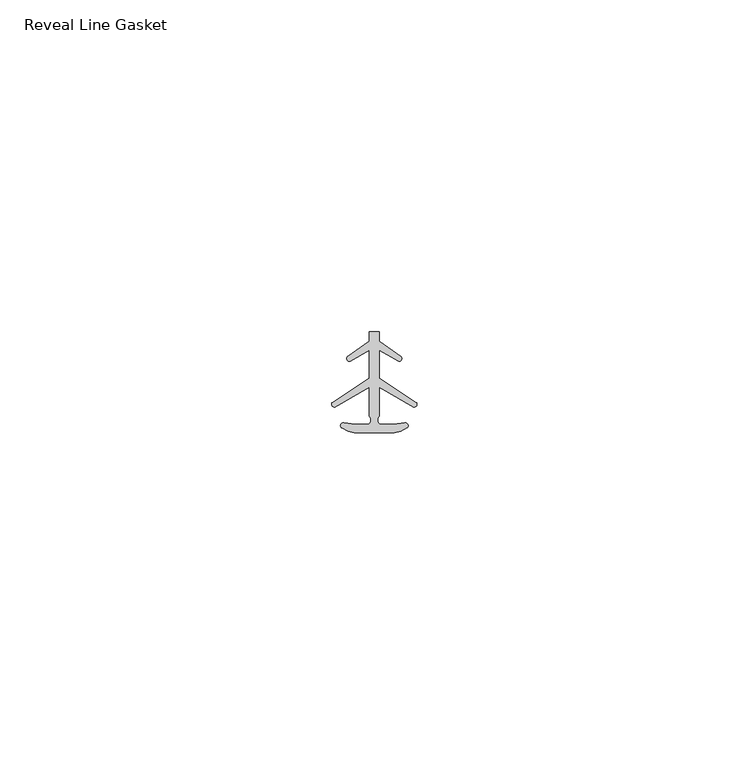
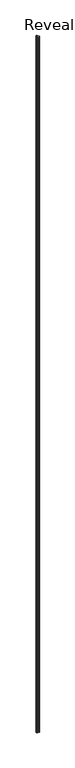
"""IFC4 building model written with IfcOpenShell, lengths in millimetres: proxy geometry, Reveal Line Gasket."""

from ifc_helpers import new_model, si_unit, point, frame, frame_2d, origin, place, context, project, spatial, polyline, circle_curve, trimmed, segment, composite_curve, outline, extrude, source, transform, mapped, element, save


def reveal_line_gasket_7544853e(model_context):
    return source(origin(), model_context, "Body", "SweptSolid", [
        extrude(outline(composite_curve([segment(polyline([(2.999107, -7.6326998), (-3.000893, -7.6326998), (-3.9563857, -7.4091917), (-4.8893614, -6.8813059)]), True, "CONTINUOUS"), segment(trimmed(circle_curve(frame_2d((-4.6873723, -6.5243141)), 0.4101739), [point((-4.8893614, -6.8813059))], [point((-4.5950277, -6.1246704))], False, "CARTESIAN"), True, "CONTINUOUS"), segment(polyline([(-4.5950277, -6.1246704), (-2.8988015, -6.3626997), (-0.8663457, -6.3626997)]), True, "CONTINUOUS"), segment(trimmed(circle_curve(frame_2d((-1.2828188, -5.6959605)), 0.786124), [point((-0.8663457, -6.3626997))], [point((-0.778768, -5.0926996))], True, "CARTESIAN"), True, "CONTINUOUS"), segment(polyline([(-0.778768, -5.0926996), (-0.778768, -0.7492996), (-5.9404224, -3.7293824)]), True, "CONTINUOUS"), segment(trimmed(circle_curve(frame_2d((-6.0058691, -3.3132479)), 0.4212495), [point((-5.9404224, -3.7293824))], [point((-6.3335288, -3.0485022))], False, "CARTESIAN"), True, "CONTINUOUS"), segment(polyline([(-6.3335288, -3.0485022), (-0.778768, 0.5742594), (-0.778768, 4.8262978), (-3.6544226, 3.1660374)]), True, "CONTINUOUS"), segment(trimmed(circle_curve(frame_2d((-3.7127785, 3.5978728)), 0.4357605), [point((-3.6544226, 3.1660374))], [point((-4.0575811, 3.864328))], False, "CARTESIAN"), True, "CONTINUOUS"), segment(polyline([(-4.0575811, 3.864328), (-0.778768, 6.1944059), (-0.778768, 7.6326998), (0.7769821, 7.6326998), (0.7769821, 6.1944059), (4.0557951, 3.864328)]), True, "CONTINUOUS"), segment(trimmed(circle_curve(frame_2d((3.7109925, 3.5978728)), 0.4357605), [point((4.0557951, 3.864328))], [point((3.6526367, 3.1660374))], False, "CARTESIAN"), True, "CONTINUOUS"), segment(polyline([(3.6526367, 3.1660374), (0.7769821, 4.8262978), (0.7769821, 0.5742594), (6.3317429, -3.0485022)]), True, "CONTINUOUS"), segment(trimmed(circle_curve(frame_2d((6.0040832, -3.3132479)), 0.4212495), [point((6.3317429, -3.0485022))], [point((5.9386365, -3.7293824))], False, "CARTESIAN"), True, "CONTINUOUS"), segment(polyline([(5.9386365, -3.7293824), (0.7769821, -0.7492996), (0.7769821, -5.0926996)]), True, "CONTINUOUS"), segment(trimmed(circle_curve(frame_2d((1.2810328, -5.6959605)), 0.786124), [point((0.7769821, -5.0926996))], [point((0.8645598, -6.3626997))], True, "CARTESIAN"), True, "CONTINUOUS"), segment(polyline([(0.8645598, -6.3626997), (2.8970156, -6.3626997), (4.5932418, -6.1246704)]), True, "CONTINUOUS"), segment(trimmed(circle_curve(frame_2d((4.6855864, -6.5243141)), 0.4101739), [point((4.5932418, -6.1246704))], [point((4.8875754, -6.8813059))], False, "CARTESIAN"), True, "CONTINUOUS"), segment(polyline([(4.8875754, -6.8813059), (3.9545998, -7.4091917), (2.999107, -7.6326998)]), True, "CONTINUOUS")], self_intersect=False)), frame((0.0, 0.0, 84.836), z_axis=(0.0, 0.0, 1.0), x_axis=(1.0, 0.0, 0.0)), (0.0, 0.0, 1.0), 2953.8407881),
    ])


if __name__ == "__main__":
    model = new_model("IFC4")
    model_context = context("Model", 3, world=origin())
    ifc_project = project(units=[si_unit("LENGTHUNIT", "METRE", prefix="MILLI")], contexts=[model_context])
    site = spatial("IfcSite", under=ifc_project)
    building = spatial("IfcBuilding", under=site)
    placement = place(None, origin())
    reveal_line_gasket_shape = reveal_line_gasket_7544853e(model_context)
    element("IfcBuildingElementProxy", 1, Name="Reveal Line Gasket", ObjectType="Reveal Line Gasket", at=placement, inside=building, context=model_context, shape_type="MappedRepresentation", body=[
        mapped(reveal_line_gasket_shape, transform((0.0, 0.0, 0.0), x_axis=(1.0, 0.0, 0.0), y_axis=(0.0, 1.0, 0.0), z_axis=(0.0, 0.0, 1.0))),
    ])
    save(model, "model.ifc")
